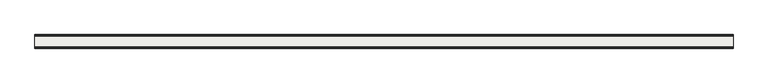
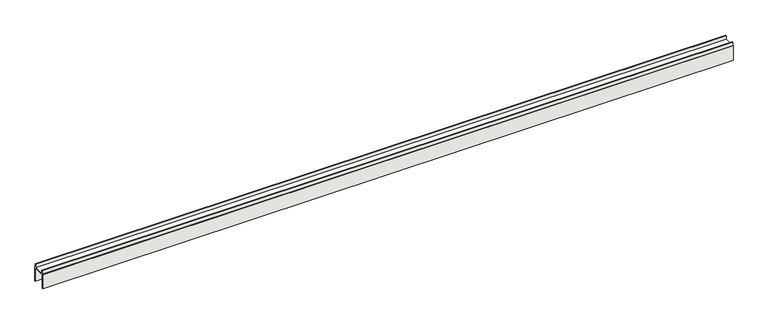
"""IFC4 building model written with IfcOpenShell, lengths in millimetres: covering geometry."""

from ifc_helpers import new_model, si_unit, frame, origin, place, context, project, spatial, polyline, outline, extrude, source, transform, mapped, element, save


def covering_779c3591(model_context):
    return source(origin(), model_context, "Body", "SweptSolid", [
        extrude(outline(polyline([(-19.0, 0.0), (-19.0, 42.0), (-17.0, 42.0), (-17.0, 52.0), (-15.0, 52.0), (-15.0, 42.0), (15.0, 42.0), (15.0, 52.0), (17.0, 52.0), (17.0, 42.0), (19.0, 42.0), (19.0, 0.0), (17.0, 0.0), (17.0, 40.0), (-17.0, 40.0), (-17.0, 0.0), (-19.0, 0.0)])), frame((0.0, 0.0, 0.0), z_axis=(1.0, 0.0, 0.0), x_axis=(0.0, 1.0, 0.0)), (0.0, 0.0, 1.0), 1950.0),
    ])


if __name__ == "__main__":
    model = new_model("IFC4")
    model_context = context("Model", 3, world=origin())
    ifc_project = project(units=[si_unit("LENGTHUNIT", "METRE", prefix="MILLI")], contexts=[model_context])
    site = spatial("IfcSite", under=ifc_project)
    building = spatial("IfcBuilding", under=site)
    placement = place(None, origin())
    covering_shape = covering_779c3591(model_context)
    element("IfcCovering", 1, at=placement, inside=building, context=model_context, shape_type="MappedRepresentation", body=[
        mapped(covering_shape, transform((0.0, 0.0, 0.0), x_axis=(1.0, 0.0, 0.0), y_axis=(0.0, 1.0, 0.0), z_axis=(0.0, 0.0, 1.0))),
    ])
    save(model, "model.ifc")
